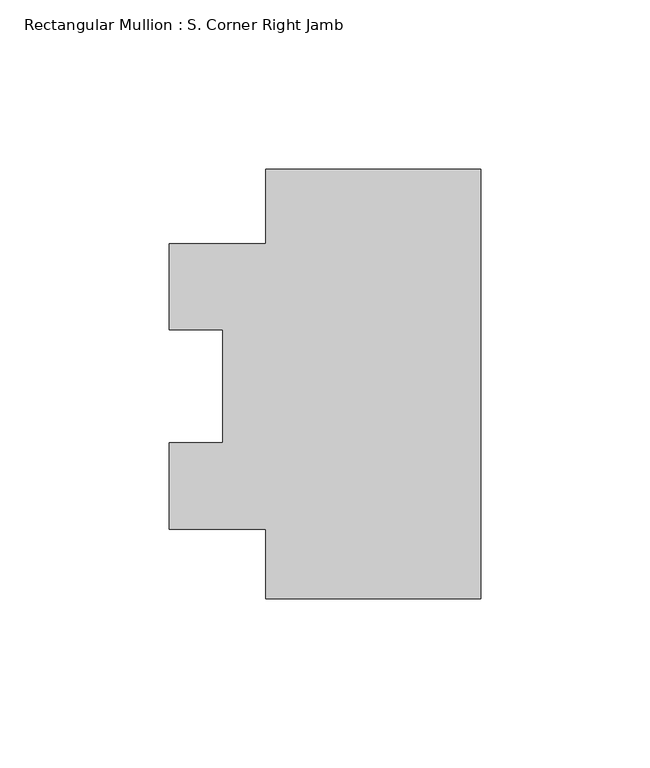
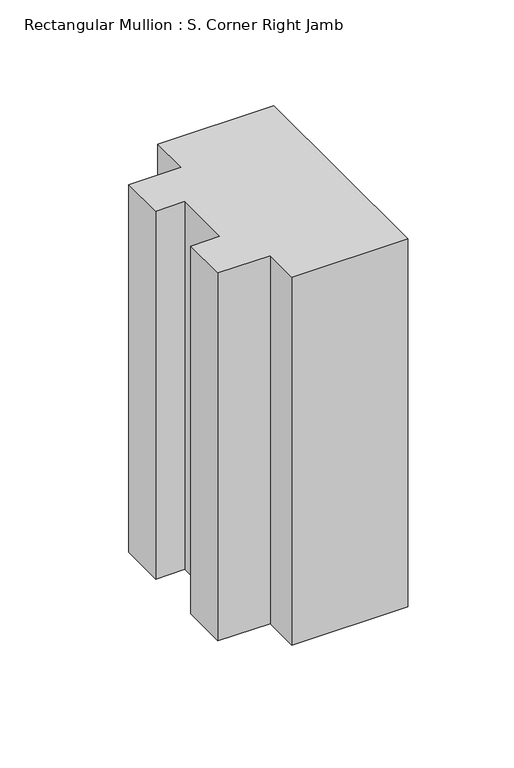
"""IFC4 building model written with IfcOpenShell, lengths in millimetres: member geometry, Rectangular Mullion : S. Corner Right Jamb."""

from ifc_helpers import new_model, si_unit, frame, origin, place, context, project, spatial, polyline, outline, extrude, source, transform, mapped, element, save


def rectangular_mullion_s_corner_right_jamb_00a479a6(model_context):
    return source(origin(), model_context, "Body", "SweptSolid", [
        extrude(outline(polyline([(-63.5, 80.97072), (0.0, 80.97072), (0.0, -46.02928), (-63.5, -46.02928), (-63.5, -25.48068), (-92.075, -25.48068), (-92.075, 0.15363), (-76.2, 0.15363), (-76.2, 33.5166513), (-92.075, 33.5166513), (-92.075, 58.84732), (-63.5, 58.84732), (-63.5, 80.97072)])), frame((0.0, 0.0, -212.725), z_axis=(0.0, 0.0, 1.0), x_axis=(1.0, 0.0, 0.0)), (0.0, 0.0, 1.0), 212.725),
    ])


if __name__ == "__main__":
    model = new_model("IFC4")
    model_context = context("Model", 3, world=origin())
    ifc_project = project(units=[si_unit("LENGTHUNIT", "METRE", prefix="MILLI")], contexts=[model_context])
    site = spatial("IfcSite", under=ifc_project)
    building = spatial("IfcBuilding", under=site)
    placement = place(None, origin())
    rectangular_mullion_s_corner_right_jamb_shape = rectangular_mullion_s_corner_right_jamb_00a479a6(model_context)
    element("IfcMember", 1, ObjectType="Rectangular Mullion : S. Corner Right Jamb", at=placement, inside=building, context=model_context, shape_type="MappedRepresentation", body=[
        mapped(rectangular_mullion_s_corner_right_jamb_shape, transform((0.0, 0.0, 0.0), x_axis=(1.0, 0.0, 0.0), y_axis=(0.0, 1.0, 0.0), z_axis=(0.0, 0.0, 1.0))),
    ])
    save(model, "model.ifc")
